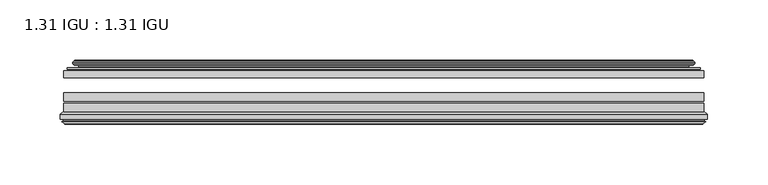
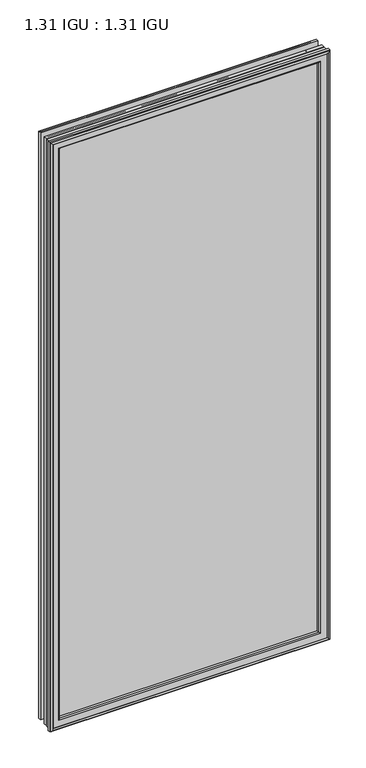
"""IFC4 building model written with IfcOpenShell, lengths in millimetres: plate geometry, 1.31 IGU : 1.31 IGU."""

from ifc_helpers import new_model, si_unit, frame, origin, place, context, project, spatial, polyline, ellipse_curve, outline, extrude, source, transform, mapped, element, save
from ifc_brep_helpers import plane_surface, cylinder_surface, revolved_surface, advanced_brep


def plate_1_31_igu_1_31_igu_cc7651a5(model_context):
    return source(origin(), model_context, "Body", "SolidModel", [
        extrude(outline(polyline([(265.1078362, -44.8960875), (265.1078362, -50.4332875), (-265.1127713, -50.4332875), (-265.1127713, -44.8960875), (265.1078362, -44.8960875)])), frame((0.0, 0.0, -14.2875), z_axis=(0.0, 0.0, 1.0), x_axis=(1.0, 0.0, 0.0)), (0.0, 0.0, 1.0), 1184.275),
        extrude(outline(polyline([(-265.1127713, -78.7796875), (-265.1127713, -71.7692875), (265.1078362, -71.7692875), (265.1078362, -78.7796875), (-265.1127713, -78.7796875)])), frame((0.0, 0.0, -14.2875), z_axis=(0.0, 0.0, 1.0), x_axis=(1.0, 0.0, 0.0)), (0.0, 0.0, 1.0), 1184.275),
        extrude(outline(polyline([(-265.1127713, -70.2452875), (-265.1127713, -63.1332875), (265.1078362, -63.1332875), (265.1078362, -70.2452875), (-265.1127713, -70.2452875)])), frame((0.0, 0.0, -14.2875), z_axis=(0.0, 0.0, 1.0), x_axis=(1.0, 0.0, 0.0)), (0.0, 0.0, 1.0), 1184.275),
        advanced_brep(
        [(-255.7674468, -37.7373382, 1160.6421755), (-250.8258138, -36.3108875, 1155.7005426), (-250.8258138, -36.3108875, -0.0005426), (-255.7674468, -37.7373382, -4.9421755), (-255.6023415, -36.9605789, 1160.4770702), (-255.6023415, -36.9605789, -4.7770702), (-256.1978272, -36.4771203, 1161.0725559), (-256.1978272, -36.4771203, -5.3725559), (-257.462463, -37.766076, 1162.3371917), (-257.462463, -37.766076, -6.6371917), (-257.4516462, -38.8797852, 1162.3263749), (-257.4516462, -38.8797852, -6.6263749), (-256.170161, -40.1361433, 1161.0448897), (-256.170161, -40.1361433, -5.3448897), (-255.5651542, -39.649943, 1160.4398829), (-255.5651542, -39.649943, -4.7398829), (-256.1191684, -39.0959287, 1160.9938972), (-256.1191684, -39.0959287, -5.2938972), (-253.83336, -38.7029881, 1158.7080887), (-253.83336, -38.7029881, -3.0080887), (-252.3742869, -40.2107282, 1157.2490157), (-252.3742869, -40.2107282, -1.5490157), (-252.6708689, -41.651269, 1157.5455976), (-252.6708689, -41.651269, -1.8455976), (-253.4420933, -42.2798875, 1158.3168221), (-253.4420933, -42.2798875, -2.6168221), (-261.7460697, -43.4871542, 1166.6207984), (-261.4708682, -42.2798875, 1166.3455969), (-261.4708682, -42.2798875, -10.6455969), (-261.7460697, -43.4871542, -10.9207984), (-258.288501, -44.8960875, 1163.1632297), (-258.288501, -44.8960875, -7.4632297), (-247.1908772, -44.023302, 1152.0656059), (-247.5462152, -44.8960875, 1152.4209439), (-247.5462152, -44.8960875, 3.2790561), (-247.1908772, -44.023302, 3.6343941), (-247.8620752, -43.3681812, 1152.736804), (-247.8620752, -43.3681812, 2.963196), (-249.5028658, -40.6686056, 1154.3775946), (-249.5028658, -40.6686056, 1.3224054), (250.8258138, -36.3108875, -0.0005426), (255.7674468, -37.7373382, -4.9421755), (255.6023415, -36.9605789, -4.7770702), (256.1978272, -36.4771203, -5.3725559), (257.462463, -37.766076, -6.6371917), (257.4516462, -38.8797852, -6.6263749), (256.170161, -40.1361433, -5.3448897), (255.5651542, -39.649943, -4.7398829), (256.1191684, -39.0959287, -5.2938972), (253.83336, -38.7029881, -3.0080887), (252.3742869, -40.2107282, -1.5490157), (252.6708689, -41.651269, -1.8455976), (253.4420933, -42.2798875, -2.6168221), (261.4708682, -42.2798875, -10.6455969), (261.7460697, -43.4871542, -10.9207984), (258.288501, -44.8960875, -7.4632297), (247.5462152, -44.8960875, 3.2790561), (247.1908772, -44.023302, 3.6343941), (247.8620752, -43.3681812, 2.963196), (249.5028658, -40.6686056, 1.3224054), (250.8258138, -36.3108875, 1155.7005426), (255.7674468, -37.7373382, 1160.6421755), (255.6023415, -36.9605789, 1160.4770702), (256.1978272, -36.4771203, 1161.0725559), (257.462463, -37.766076, 1162.3371917), (257.4516462, -38.8797852, 1162.3263749), (256.170161, -40.1361433, 1161.0448897), (255.5651542, -39.649943, 1160.4398829), (256.1191684, -39.0959287, 1160.9938972), (253.83336, -38.7029881, 1158.7080887), (252.3742869, -40.2107282, 1157.2490157), (252.6708689, -41.651269, 1157.5455976), (253.4420933, -42.2798875, 1158.3168221), (261.4708682, -42.2798875, 1166.3455969), (261.7460697, -43.4871542, 1166.6207984), (258.288501, -44.8960875, 1163.1632297), (247.5462152, -44.8960875, 1152.4209439), (247.1908772, -44.023302, 1152.0656059), (247.8620752, -43.3681812, 1152.736804), (249.5028658, -40.6686056, 1154.3775946)],
        [
            (0, 1),
            (1, 2),
            (2, 3),
            (3, 0),
            (4, 0),
            (3, 5),
            (5, 4),
            (6, 4, ellipse_curve(frame((-255.9228584, -36.746901, 1160.7975871), z_axis=(-0.7071067811865475, 0.0, -0.7071067811865475), x_axis=(-0.7071067811865474, 0.0, 0.7071067811865476)), 0.5447741, 0.3852135)),
            (5, 7, ellipse_curve(frame((-255.9228584, -36.746901, -5.0975871), z_axis=(-0.7071067811865475, 0.0, 0.7071067811865475), x_axis=(0.7071067811865474, 0.0, 0.7071067811865476)), 0.5447741, 0.3852135)),
            (7, 6),
            (8, 6),
            (7, 9),
            (9, 8),
            (10, 8, ellipse_curve(frame((-256.9004099, -38.3175243, 1161.7751387), z_axis=(-0.7071067811865475, 0.0, -0.7071067811865475), x_axis=(-0.7071067811865474, 0.0, 0.7071067811865476)), 1.1135518, 0.7874)),
            (9, 11, ellipse_curve(frame((-256.9004099, -38.3175243, -6.0751387), z_axis=(-0.7071067811865475, 0.0, 0.7071067811865475), x_axis=(0.7071067811865474, 0.0, 0.7071067811865476)), 1.1135518, 0.7874)),
            (11, 10),
            (12, 10),
            (11, 13),
            (13, 12),
            (14, 12, ellipse_curve(frame((-255.8965635, -39.8570738, 1160.7712922), z_axis=(-0.7071067811865475, 0.0, -0.7071067811865475), x_axis=(-0.7071067811865474, 0.0, 0.7071067811865476)), 0.552694, 0.3908137)),
            (13, 15, ellipse_curve(frame((-255.8965635, -39.8570738, -5.0712922), z_axis=(-0.7071067811865475, 0.0, 0.7071067811865475), x_axis=(0.7071067811865474, 0.0, 0.7071067811865476)), 0.552694, 0.3908137)),
            (15, 14),
            (16, 14),
            (15, 17),
            (17, 16),
            (18, 16),
            (17, 19),
            (19, 18),
            (20, 18, ellipse_curve(frame((-253.6181974, -39.954629, 1158.4929261), z_axis=(0.7071067811865475, 0.0, 0.7071067811865475), x_axis=(0.7071067811865474, 0.0, -0.7071067811865476)), 1.7960512, 1.27)),
            (19, 21, ellipse_curve(frame((-253.6181974, -39.954629, -2.7929261), z_axis=(0.7071067811865475, 0.0, -0.7071067811865475), x_axis=(-0.7071067811865474, 0.0, -0.7071067811865476)), 1.7960512, 1.27)),
            (21, 20),
            (22, 20),
            (21, 23),
            (23, 22),
            (24, 22, ellipse_curve(frame((-253.4420933, -41.4924875, 1158.3168221), z_axis=(0.7071067811865475, 0.0, 0.7071067811865475), x_axis=(0.7071067811865474, 0.0, -0.7071067811865476)), 1.1135518, 0.7874)),
            (23, 25, ellipse_curve(frame((-253.4420933, -41.4924875, -2.6168221), z_axis=(0.7071067811865475, 0.0, -0.7071067811865475), x_axis=(-0.7071067811865474, 0.0, -0.7071067811865476)), 1.1135518, 0.7874)),
            (25, 24),
            (26, 27, ellipse_curve(frame((-261.4708682, -42.9148875, 1166.3455969), z_axis=(-0.7071067811865475, 0.0, -0.7071067811865475), x_axis=(-0.7071067811865474, 0.0, 0.7071067811865476)), 0.8980256, 0.635)),
            (27, 28),
            (28, 29, ellipse_curve(frame((-261.4708682, -42.9148875, -10.6455969), z_axis=(-0.7071067811865475, 0.0, 0.7071067811865475), x_axis=(0.7071067811865474, 0.0, 0.7071067811865476)), 0.8980256, 0.635)),
            (29, 26),
            (30, 26),
            (29, 31),
            (31, 30),
            (32, 33, ellipse_curve(frame((-247.5462152, -44.3873602, 1152.4209439), z_axis=(-0.7071067811865475, 0.0, -0.7071067811865475), x_axis=(-0.7071067811865474, 0.0, 0.7071067811865476)), 0.719449, 0.5087273)),
            (33, 34),
            (34, 35, ellipse_curve(frame((-247.5462152, -44.3873602, 3.2790561), z_axis=(-0.7071067811865475, 0.0, 0.7071067811865475), x_axis=(0.7071067811865474, 0.0, 0.7071067811865476)), 0.719449, 0.5087273)),
            (35, 32),
            (36, 32),
            (35, 37),
            (37, 36),
            (38, 36, ellipse_curve(frame((-243.426701, -38.823959, 1148.3014298), z_axis=(0.7071067811865475, 0.0, 0.7071067811865475), x_axis=(0.7071067811865474, 0.0, -0.7071067811865476)), 8.9802561, 6.35)),
            (37, 39, ellipse_curve(frame((-243.426701, -38.823959, 7.3985702), z_axis=(0.7071067811865475, 0.0, -0.7071067811865475), x_axis=(-0.7071067811865474, 0.0, -0.7071067811865476)), 8.9802561, 6.35)),
            (39, 38),
            (1, 38),
            (39, 2),
            (2, 40),
            (40, 41),
            (41, 3),
            (41, 42),
            (42, 5),
            (42, 43, ellipse_curve(frame((255.9228584, -36.746901, -5.0975871), z_axis=(-0.7071067811865475, 0.0, -0.7071067811865475), x_axis=(-0.7071067811865476, 0.0, 0.7071067811865474)), 0.5447741, 0.3852135)),
            (43, 7),
            (43, 44),
            (44, 9),
            (44, 45, ellipse_curve(frame((256.9004099, -38.3175243, -6.0751387), z_axis=(-0.7071067811865475, 0.0, -0.7071067811865475), x_axis=(-0.7071067811865476, 0.0, 0.7071067811865474)), 1.1135518, 0.7874)),
            (45, 11),
            (45, 46),
            (46, 13),
            (46, 47, ellipse_curve(frame((255.8965635, -39.8570738, -5.0712922), z_axis=(-0.7071067811865475, 0.0, -0.7071067811865475), x_axis=(-0.7071067811865476, 0.0, 0.7071067811865474)), 0.552694, 0.3908137)),
            (47, 15),
            (47, 48),
            (48, 17),
            (48, 49),
            (49, 19),
            (49, 50, ellipse_curve(frame((253.6181974, -39.954629, -2.7929261), z_axis=(0.7071067811865475, 0.0, 0.7071067811865475), x_axis=(0.7071067811865476, 0.0, -0.7071067811865474)), 1.7960512, 1.27)),
            (50, 21),
            (50, 51),
            (51, 23),
            (51, 52, ellipse_curve(frame((253.4420933, -41.4924875, -2.6168221), z_axis=(0.7071067811865475, 0.0, 0.7071067811865475), x_axis=(0.7071067811865476, 0.0, -0.7071067811865474)), 1.1135518, 0.7874)),
            (52, 25),
            (28, 53),
            (53, 54, ellipse_curve(frame((261.4708682, -42.9148875, -10.6455969), z_axis=(-0.7071067811865475, 0.0, -0.7071067811865475), x_axis=(-0.7071067811865476, 0.0, 0.7071067811865474)), 0.8980256, 0.635)),
            (54, 29),
            (54, 55),
            (55, 31),
            (34, 56),
            (56, 57, ellipse_curve(frame((247.5462152, -44.3873602, 3.2790561), z_axis=(-0.7071067811865475, 0.0, -0.7071067811865475), x_axis=(-0.7071067811865476, 0.0, 0.7071067811865474)), 0.719449, 0.5087273)),
            (57, 35),
            (57, 58),
            (58, 37),
            (58, 59, ellipse_curve(frame((243.426701, -38.823959, 7.3985702), z_axis=(0.7071067811865475, 0.0, 0.7071067811865475), x_axis=(0.7071067811865476, 0.0, -0.7071067811865474)), 8.9802561, 6.35)),
            (59, 39),
            (59, 40),
            (40, 60),
            (60, 61),
            (61, 41),
            (61, 62),
            (62, 42),
            (62, 63, ellipse_curve(frame((255.9228584, -36.746901, 1160.7975871), z_axis=(0.7071067811865475, 0.0, -0.7071067811865475), x_axis=(-0.7071067811865474, 0.0, -0.7071067811865476)), 0.5447741, 0.3852135)),
            (63, 43),
            (63, 64),
            (64, 44),
            (64, 65, ellipse_curve(frame((256.9004099, -38.3175243, 1161.7751387), z_axis=(0.7071067811865475, 0.0, -0.7071067811865475), x_axis=(-0.7071067811865474, 0.0, -0.7071067811865476)), 1.1135518, 0.7874)),
            (65, 45),
            (65, 66),
            (66, 46),
            (66, 67, ellipse_curve(frame((255.8965635, -39.8570738, 1160.7712922), z_axis=(0.7071067811865475, 0.0, -0.7071067811865475), x_axis=(-0.7071067811865474, 0.0, -0.7071067811865476)), 0.552694, 0.3908137)),
            (67, 47),
            (67, 68),
            (68, 48),
            (68, 69),
            (69, 49),
            (69, 70, ellipse_curve(frame((253.6181974, -39.954629, 1158.4929261), z_axis=(-0.7071067811865475, 0.0, 0.7071067811865475), x_axis=(0.7071067811865474, 0.0, 0.7071067811865476)), 1.7960512, 1.27)),
            (70, 50),
            (70, 71),
            (71, 51),
            (71, 72, ellipse_curve(frame((253.4420933, -41.4924875, 1158.3168221), z_axis=(-0.7071067811865475, 0.0, 0.7071067811865475), x_axis=(0.7071067811865474, 0.0, 0.7071067811865476)), 1.1135518, 0.7874)),
            (72, 52),
            (53, 73),
            (73, 74, ellipse_curve(frame((261.4708682, -42.9148875, 1166.3455969), z_axis=(0.7071067811865475, 0.0, -0.7071067811865475), x_axis=(-0.7071067811865474, 0.0, -0.7071067811865476)), 0.8980256, 0.635)),
            (74, 54),
            (74, 75),
            (75, 55),
            (56, 76),
            (76, 77, ellipse_curve(frame((247.5462152, -44.3873602, 1152.4209439), z_axis=(0.7071067811865475, 0.0, -0.7071067811865475), x_axis=(-0.7071067811865474, 0.0, -0.7071067811865476)), 0.719449, 0.5087273)),
            (77, 57),
            (77, 78),
            (78, 58),
            (78, 79, ellipse_curve(frame((243.426701, -38.823959, 1148.3014298), z_axis=(-0.7071067811865475, 0.0, 0.7071067811865475), x_axis=(0.7071067811865474, 0.0, 0.7071067811865476)), 8.9802561, 6.35)),
            (79, 59),
            (79, 60),
            (60, 1),
            (0, 61),
            (4, 62),
            (6, 63),
            (8, 64),
            (10, 65),
            (12, 66),
            (14, 67),
            (16, 68),
            (18, 69),
            (20, 70),
            (22, 71),
            (24, 72),
            (27, 73),
            (26, 74),
            (30, 75),
            (33, 76),
            (32, 77),
            (36, 78),
            (38, 79),
        ],
        [
            plane_surface(frame((-250.8258138, -36.3108875, 1155.7005426), z_axis=(-0.2773364928492854, 0.9607728502273877, 0.0), x_axis=(0.0, 0.0, -1.0))),
            plane_surface(frame((-255.7674468, -37.7373382, 1160.6421755), z_axis=(0.9781476007338358, -0.2079116908176177, 0.0), x_axis=(0.0, 0.0, -1.0))),
            cylinder_surface(frame((-255.9228584, -36.746901, 1187.45), z_axis=(0.0, 0.0, 1.0), x_axis=(-1.0, 0.0, 0.0)), 0.3852135),
            plane_surface(frame((-256.1978272, -36.4771203, 1161.0725559), z_axis=(-0.7138087599382162, 0.7003406701280928, 0.0), x_axis=(0.0, 0.0, -1.0))),
            cylinder_surface(frame((-256.9004099, -38.3175243, 1187.45), z_axis=(0.0, 0.0, 1.0), x_axis=(-1.0, 0.0, 0.0)), 0.7874),
            plane_surface(frame((-257.4516462, -38.8797852, 1162.3263749), z_axis=(-0.7000714109283732, -0.7140728391423082, 0.0), x_axis=(0.0, 0.0, -1.0))),
            cylinder_surface(frame((-255.8965635, -39.8570738, 1187.45), z_axis=(0.0, 0.0, 1.0), x_axis=(-1.0, 0.0, 0.0)), 0.3908137),
            plane_surface(frame((-255.5651542, -39.649943, 1160.4398829), z_axis=(0.7071067811861126, 0.7071067811869826, 0.0), x_axis=(0.0, 0.0, -1.0))),
            plane_surface(frame((-256.1191684, -39.0959287, 1160.9938972), z_axis=(0.16941940671011482, -0.9855440449974789, 0.0), x_axis=(0.0, 0.0, -1.0))),
            revolved_surface(polyline([(-254.88819740000002, -39.954629, -4.062926082878221), (-254.88819740000002, -39.954629, 1159.7629260828783)]), (-253.6181974, -39.954629, 1187.45), (0.0, 0.0, -1.0)),
            plane_surface(frame((-252.3742869, -40.2107282, 1157.2490157), z_axis=(-0.9794570432566897, 0.201652920670302, 0.0), x_axis=(0.0, 0.0, -1.0))),
            revolved_surface(polyline([(-254.2294933, -41.4924875, -3.4042221289826102), (-254.2294933, -41.4924875, 1159.1042221289827)]), (-253.4420933, -41.4924875, 1187.45), (0.0, 0.0, -1.0)),
            cylinder_surface(frame((-261.4708682, -42.9148875, 1187.45), z_axis=(0.0, 0.0, 1.0), x_axis=(-1.0, 0.0, 0.0)), 0.635),
            plane_surface(frame((-261.7460697, -43.4871542, 1166.6207984), z_axis=(-0.37736447542757934, -0.9260648209954139, 0.0), x_axis=(0.0, 0.0, -1.0))),
            cylinder_surface(frame((-247.5462152, -44.3873602, 1187.45), z_axis=(0.0, 0.0, 1.0), x_axis=(-1.0, 0.0, 0.0)), 0.5087273),
            plane_surface(frame((-247.1908772, -44.023302, 1152.0656059), z_axis=(0.698484125849927, 0.7156255486884628, 0.0), x_axis=(0.0, 0.0, -1.0))),
            revolved_surface(polyline([(-249.776701, -38.823959, 1.0485702148980636), (-249.776701, -38.823959, 1154.651429785102)]), (-243.426701, -38.823959, 1187.45), (0.0, 0.0, -1.0)),
            plane_surface(frame((-249.5028658, -40.6686056, 1154.3775946), z_axis=(0.9568763473517009, 0.2904955350411895, 0.0), x_axis=(0.0, 0.0, -1.0))),
            plane_surface(frame((-250.8258138, -36.3108875, -0.0005426), z_axis=(0.0, 0.9607728502273868, -0.2773364928492885), x_axis=(1.0, 0.0, 0.0))),
            plane_surface(frame((-255.7674468, -37.7373382, -4.9421755), z_axis=(0.0, -0.20791169081761454, 0.9781476007338364), x_axis=(1.0, 0.0, 0.0))),
            cylinder_surface(frame((-282.5752713, -36.746901, -5.0975871), z_axis=(-1.0, 0.0, 0.0), x_axis=(0.0, 0.0, -1.0)), 0.3852135),
            plane_surface(frame((-256.1978272, -36.4771203, -5.3725559), z_axis=(0.0, 0.7003406701280904, -0.7138087599382185), x_axis=(1.0, 0.0, 0.0))),
            cylinder_surface(frame((-282.5752713, -38.3175243, -6.0751387), z_axis=(-1.0, 0.0, 0.0), x_axis=(0.0, 0.0, -1.0)), 0.7874),
            plane_surface(frame((-257.4516462, -38.8797852, -6.6263749), z_axis=(0.0, -0.7140728391423105, -0.7000714109283709), x_axis=(1.0, 0.0, 0.0))),
            cylinder_surface(frame((-282.5752713, -39.8570738, -5.0712922), z_axis=(-1.0, 0.0, 0.0), x_axis=(0.0, 0.0, -1.0)), 0.3908137),
            plane_surface(frame((-255.5651542, -39.649943, -4.7398829), z_axis=(0.0, 0.7071067811869849, 0.7071067811861103), x_axis=(1.0, 0.0, 0.0))),
            plane_surface(frame((-256.1191684, -39.0959287, -5.2938972), z_axis=(0.0, -0.9855440449974784, 0.16941940671011801), x_axis=(1.0, 0.0, 0.0))),
            revolved_surface(polyline([(254.88819738287833, -39.954629, -4.0629261), (-254.88819738287825, -39.954629, -4.0629261)]), (-282.5752713, -39.954629, -2.7929261), (1.0, 0.0, 0.0)),
            plane_surface(frame((-252.3742869, -40.2107282, -1.5490157), z_axis=(0.0, 0.20165292067029883, -0.9794570432566904), x_axis=(1.0, 0.0, 0.0))),
            revolved_surface(polyline([(254.22949332898253, -41.4924875, -3.4042220999999997), (-254.2294933289825, -41.4924875, -3.4042220999999997)]), (-282.5752713, -41.4924875, -2.6168221), (1.0, 0.0, 0.0)),
            cylinder_surface(frame((-282.5752713, -42.9148875, -10.6455969), z_axis=(-1.0, 0.0, 0.0), x_axis=(0.0, 0.0, -1.0)), 0.635),
            plane_surface(frame((-261.7460697, -43.4871542, -10.9207984), z_axis=(0.0, -0.9260648209954151, -0.37736447542757634), x_axis=(1.0, 0.0, 0.0))),
            cylinder_surface(frame((-282.5752713, -44.3873602, 3.2790561), z_axis=(-1.0, 0.0, 0.0), x_axis=(0.0, 0.0, -1.0)), 0.5087273),
            plane_surface(frame((-247.1908772, -44.023302, 3.6343941), z_axis=(0.0, 0.7156255486884651, 0.6984841258499247), x_axis=(1.0, 0.0, 0.0))),
            revolved_surface(polyline([(249.77670098510185, -38.823959, 1.0485702000000003), (-249.77670098510185, -38.823959, 1.0485702000000003)]), (-282.5752713, -38.823959, 7.3985702), (1.0, 0.0, 0.0)),
            plane_surface(frame((-249.5028658, -40.6686056, 1.3224054), z_axis=(0.0, 0.29049553504119263, 0.9568763473517), x_axis=(1.0, 0.0, 0.0))),
            plane_surface(frame((250.8258138, -36.3108875, -0.0005426), z_axis=(0.2773364928492916, 0.9607728502273859, 0.0), x_axis=(0.0, 0.0, 1.0))),
            plane_surface(frame((255.7674468, -37.7373382, -4.9421755), z_axis=(-0.9781476007338371, -0.20791169081761138, 0.0), x_axis=(0.0, 0.0, 1.0))),
            cylinder_surface(frame((255.9228584, -36.746901, -31.75), z_axis=(0.0, 0.0, -1.0), x_axis=(1.0, 0.0, 0.0)), 0.3852135),
            plane_surface(frame((256.1978272, -36.4771203, -5.3725559), z_axis=(0.7138087599382208, 0.7003406701280882, 0.0), x_axis=(0.0, 0.0, 1.0))),
            cylinder_surface(frame((256.9004099, -38.3175243, -31.75), z_axis=(0.0, 0.0, -1.0), x_axis=(1.0, 0.0, 0.0)), 0.7874),
            plane_surface(frame((257.4516462, -38.8797852, -6.6263749), z_axis=(0.7000714109283687, -0.7140728391423128, 0.0), x_axis=(0.0, 0.0, 1.0))),
            cylinder_surface(frame((255.8965635, -39.8570738, -31.75), z_axis=(0.0, 0.0, -1.0), x_axis=(1.0, 0.0, 0.0)), 0.3908137),
            plane_surface(frame((255.5651542, -39.649943, -4.7398829), z_axis=(-0.7071067811861079, 0.7071067811869872, 0.0), x_axis=(0.0, 0.0, 1.0))),
            plane_surface(frame((256.1191684, -39.0959287, -5.2938972), z_axis=(-0.1694194067101212, -0.9855440449974778, 0.0), x_axis=(0.0, 0.0, 1.0))),
            revolved_surface(polyline([(254.88819740000002, -39.954629, 1159.7629260828783), (254.88819740000002, -39.954629, -4.062926082878235)]), (253.6181974, -39.954629, -31.75), (0.0, 0.0, 1.0)),
            plane_surface(frame((252.3742869, -40.2107282, -1.5490157), z_axis=(0.979457043256691, 0.20165292067029567, 0.0), x_axis=(0.0, 0.0, 1.0))),
            revolved_surface(polyline([(254.2294933, -41.4924875, 1159.1042221289827), (254.2294933, -41.4924875, -3.404222128982486)]), (253.4420933, -41.4924875, -31.75), (0.0, 0.0, 1.0)),
            cylinder_surface(frame((261.4708682, -42.9148875, -31.75), z_axis=(0.0, 0.0, -1.0), x_axis=(1.0, 0.0, 0.0)), 0.635),
            plane_surface(frame((261.7460697, -43.4871542, -10.9207984), z_axis=(0.37736447542757334, -0.9260648209954163, 0.0), x_axis=(0.0, 0.0, 1.0))),
            cylinder_surface(frame((247.5462152, -44.3873602, -31.75), z_axis=(0.0, 0.0, -1.0), x_axis=(1.0, 0.0, 0.0)), 0.5087273),
            plane_surface(frame((247.1908772, -44.023302, 3.6343941), z_axis=(-0.6984841258499224, 0.7156255486884673, 0.0), x_axis=(0.0, 0.0, 1.0))),
            revolved_surface(polyline([(249.776701, -38.823959, 1154.651429785102), (249.776701, -38.823959, 1.0485702148981417)]), (243.426701, -38.823959, -31.75), (0.0, 0.0, 1.0)),
            plane_surface(frame((249.5028658, -40.6686056, 1.3224054), z_axis=(-0.9568763473516991, 0.29049553504119574, 0.0), x_axis=(0.0, 0.0, 1.0))),
            plane_surface(frame((250.8258138, -36.3108875, 1155.7005426), z_axis=(0.0, 0.9607728502273868, 0.2773364928492885), x_axis=(-1.0, 0.0, 0.0))),
            plane_surface(frame((255.7674468, -37.7373382, 1160.6421755), z_axis=(0.0, -0.20791169081761454, -0.9781476007338364), x_axis=(-1.0, 0.0, 0.0))),
            cylinder_surface(frame((282.5752713, -36.746901, 1160.7975871), z_axis=(1.0, 0.0, 0.0), x_axis=(0.0, 0.0, 1.0)), 0.3852135),
            plane_surface(frame((256.1978272, -36.4771203, 1161.0725559), z_axis=(0.0, 0.7003406701280904, 0.7138087599382185), x_axis=(-1.0, 0.0, 0.0))),
            cylinder_surface(frame((282.5752713, -38.3175243, 1161.7751387), z_axis=(1.0, 0.0, 0.0), x_axis=(0.0, 0.0, 1.0)), 0.7874),
            plane_surface(frame((257.4516462, -38.8797852, 1162.3263749), z_axis=(0.0, -0.7140728391423106, 0.700071410928371), x_axis=(-1.0, 0.0, 0.0))),
            cylinder_surface(frame((282.5752713, -39.8570738, 1160.7712922), z_axis=(1.0, 0.0, 0.0), x_axis=(0.0, 0.0, 1.0)), 0.3908137),
            plane_surface(frame((255.5651542, -39.649943, 1160.4398829), z_axis=(0.0, 0.7071067811869849, -0.7071067811861103), x_axis=(-1.0, 0.0, 0.0))),
            plane_surface(frame((256.1191684, -39.0959287, 1160.9938972), z_axis=(0.0, -0.9855440449974784, -0.16941940671011801), x_axis=(-1.0, 0.0, 0.0))),
            revolved_surface(polyline([(-254.88819738287833, -39.954629, 1159.7629261), (254.88819738287825, -39.954629, 1159.7629261)]), (282.5752713, -39.954629, 1158.4929261), (-1.0, 0.0, 0.0)),
            plane_surface(frame((252.3742869, -40.2107282, 1157.2490157), z_axis=(0.0, 0.20165292067029883, 0.9794570432566904), x_axis=(-1.0, 0.0, 0.0))),
            revolved_surface(polyline([(-254.22949332898253, -41.4924875, 1159.1042221), (254.2294933289825, -41.4924875, 1159.1042221)]), (282.5752713, -41.4924875, 1158.3168221), (-1.0, 0.0, 0.0)),
            plane_surface(frame((253.4420933, -42.2798875, 1158.3168221), z_axis=(0.0, 1.0, 0.0), x_axis=(-1.0, 0.0, 0.0))),
            cylinder_surface(frame((282.5752713, -42.9148875, 1166.3455969), z_axis=(1.0, 0.0, 0.0), x_axis=(0.0, 0.0, 1.0)), 0.635),
            plane_surface(frame((261.7460697, -43.4871542, 1166.6207984), z_axis=(0.0, -0.9260648209954151, 0.37736447542757634), x_axis=(-1.0, 0.0, 0.0))),
            plane_surface(frame((258.288501, -44.8960875, 1163.1632297), z_axis=(0.0, -1.0, 0.0), x_axis=(-1.0, 0.0, 0.0))),
            cylinder_surface(frame((282.5752713, -44.3873602, 1152.4209439), z_axis=(1.0, 0.0, 0.0), x_axis=(0.0, 0.0, 1.0)), 0.5087273),
            plane_surface(frame((247.1908772, -44.023302, 1152.0656059), z_axis=(0.0, 0.7156255486884651, -0.6984841258499247), x_axis=(-1.0, 0.0, 0.0))),
            revolved_surface(polyline([(-249.77670098510185, -38.823959, 1154.6514298), (249.77670098510185, -38.823959, 1154.6514298)]), (282.5752713, -38.823959, 1148.3014298), (-1.0, 0.0, 0.0)),
            plane_surface(frame((249.5028658, -40.6686056, 1154.3775946), z_axis=(0.0, 0.29049553504119263, -0.9568763473517), x_axis=(-1.0, 0.0, 0.0))),
        ],
        [
            (0, [[1, 2, 3, 4]]),
            (1, [[5, -4, 6, 7]]),
            (2, [[8, -7, 9, 10]]),
            (3, [[11, -10, 12, 13]]),
            (4, [[14, -13, 15, 16]]),
            (5, [[17, -16, 18, 19]]),
            (6, [[20, -19, 21, 22]]),
            (7, [[23, -22, 24, 25]]),
            (8, [[26, -25, 27, 28]]),
            (9, [[29, -28, 30, 31]]),
            (10, [[32, -31, 33, 34]]),
            (11, [[35, -34, 36, 37]]),
            (12, [[38, 39, 40, 41]]),
            (13, [[42, -41, 43, 44]]),
            (14, [[45, 46, 47, 48]]),
            (15, [[49, -48, 50, 51]]),
            (16, [[52, -51, 53, 54]]),
            (17, [[55, -54, 56, -2]]),
            (18, [[-3, 57, 58, 59]]),
            (19, [[-6, -59, 60, 61]]),
            (20, [[-9, -61, 62, 63]]),
            (21, [[-12, -63, 64, 65]]),
            (22, [[-15, -65, 66, 67]]),
            (23, [[-18, -67, 68, 69]]),
            (24, [[-21, -69, 70, 71]]),
            (25, [[-24, -71, 72, 73]]),
            (26, [[-27, -73, 74, 75]]),
            (27, [[-30, -75, 76, 77]]),
            (28, [[-33, -77, 78, 79]]),
            (29, [[-36, -79, 80, 81]]),
            (30, [[-40, 82, 83, 84]]),
            (31, [[-43, -84, 85, 86]]),
            (32, [[-47, 87, 88, 89]]),
            (33, [[-50, -89, 90, 91]]),
            (34, [[-53, -91, 92, 93]]),
            (35, [[-56, -93, 94, -57]]),
            (36, [[-58, 95, 96, 97]]),
            (37, [[-60, -97, 98, 99]]),
            (38, [[-62, -99, 100, 101]]),
            (39, [[-64, -101, 102, 103]]),
            (40, [[-66, -103, 104, 105]]),
            (41, [[-68, -105, 106, 107]]),
            (42, [[-70, -107, 108, 109]]),
            (43, [[-72, -109, 110, 111]]),
            (44, [[-74, -111, 112, 113]]),
            (45, [[-76, -113, 114, 115]]),
            (46, [[-78, -115, 116, 117]]),
            (47, [[-80, -117, 118, 119]]),
            (48, [[-83, 120, 121, 122]]),
            (49, [[-85, -122, 123, 124]]),
            (50, [[-88, 125, 126, 127]]),
            (51, [[-90, -127, 128, 129]]),
            (52, [[-92, -129, 130, 131]]),
            (53, [[-94, -131, 132, -95]]),
            (54, [[-96, 133, -1, 134]]),
            (55, [[-98, -134, -5, 135]]),
            (56, [[-100, -135, -8, 136]]),
            (57, [[-102, -136, -11, 137]]),
            (58, [[-104, -137, -14, 138]]),
            (59, [[-106, -138, -17, 139]]),
            (60, [[-108, -139, -20, 140]]),
            (61, [[-110, -140, -23, 141]]),
            (62, [[-112, -141, -26, 142]]),
            (63, [[-114, -142, -29, 143]]),
            (64, [[-116, -143, -32, 144]]),
            (65, [[-118, -144, -35, 145]]),
            (66, [[146, -120, -82, -39], [-81, -119, -145, -37]]),
            (67, [[-121, -146, -38, 147]]),
            (68, [[-123, -147, -42, 148]]),
            (69, [[-86, -124, -148, -44], [149, -125, -87, -46]]),
            (70, [[-126, -149, -45, 150]]),
            (71, [[-128, -150, -49, 151]]),
            (72, [[-130, -151, -52, 152]]),
            (73, [[-132, -152, -55, -133]]),
        ],
    ),
        advanced_brep(
        [(-248.1377207, -83.3389875, 1153.0124494), (-249.9127868, -85.1296875, 1154.7875155), (-249.9127868, -85.1296875, 0.9124845), (-248.1377207, -83.3389875, 2.6875506), (-247.1145114, -78.7796875, 1151.9892401), (-247.1145114, -78.7796875, 3.7107599), (-267.6952204, -80.9740477, 1172.5699491), (-265.5008601, -78.7796875, 1170.3755889), (-265.5008601, -78.7796875, -14.6755889), (-267.6952204, -80.9740477, -16.8699491), (-267.6952204, -85.1296875, 1172.5699491), (-267.6952204, -85.1296875, -16.8699491), (-265.1701602, -86.3747112, 1170.0448889), (-265.9213872, -85.1296875, 1170.7961159), (-265.9213872, -85.1296875, -15.0961159), (-265.1701602, -86.3747112, -14.3448889), (-264.8606311, -87.6502863, 1169.7353598), (-264.8606311, -87.6502863, -14.0353598), (-265.8787445, -87.2076396, 1170.7534732), (-265.8787445, -87.2076396, -15.0534732), (-264.1917551, -88.8840626, 1169.0664838), (-266.6734545, -87.2076396, 1171.5481832), (-266.6734545, -87.2076396, -15.8481832), (-264.1917551, -88.8840626, -13.3664838), (-262.0399297, -86.9401656, 1166.9146584), (-262.0399297, -86.9401656, -11.2146584), (-263.7472839, -87.5528811, 1168.6220126), (-262.8215027, -86.9401656, 1167.6962314), (-262.8215027, -86.9401656, -11.9962314), (-263.7472839, -87.5528811, -12.9220126), (-263.6639585, -86.2429356, 1168.5386873), (-263.6639585, -86.2429356, -12.8386873), (-263.0657205, -85.1296875, 1167.9404492), (-263.0657205, -85.1296875, -12.2404492), (249.9127868, -85.1296875, 0.9124845), (248.1377207, -83.3389875, 2.6875506), (247.1145114, -78.7796875, 3.7107599), (265.5008601, -78.7796875, -14.6755889), (267.6952204, -80.9740477, -16.8699491), (267.6952204, -85.1296875, -16.8699491), (265.9213872, -85.1296875, -15.0961159), (265.1701602, -86.3747112, -14.3448889), (264.8606311, -87.6502863, -14.0353598), (265.8787445, -87.2076396, -15.0534732), (266.6734545, -87.2076396, -15.8481832), (264.1917551, -88.8840626, -13.3664838), (262.0399297, -86.9401656, -11.2146584), (262.8215027, -86.9401656, -11.9962314), (263.7472839, -87.5528811, -12.9220126), (263.6639585, -86.2429356, -12.8386873), (263.0657205, -85.1296875, -12.2404492), (249.9127868, -85.1296875, 1154.7875155), (248.1377207, -83.3389875, 1153.0124494), (247.1145114, -78.7796875, 1151.9892401), (265.5008601, -78.7796875, 1170.3755889), (267.6952204, -80.9740477, 1172.5699491), (267.6952204, -85.1296875, 1172.5699491), (265.9213872, -85.1296875, 1170.7961159), (265.1701602, -86.3747112, 1170.0448889), (264.8606311, -87.6502863, 1169.7353598), (265.8787445, -87.2076396, 1170.7534732), (266.6734545, -87.2076396, 1171.5481832), (264.1917551, -88.8840626, 1169.0664838), (262.0399297, -86.9401656, 1166.9146584), (262.8215027, -86.9401656, 1167.6962314), (263.7472839, -87.5528811, 1168.6220126), (263.6639585, -86.2429356, 1168.5386873), (263.0657205, -85.1296875, 1167.9404492)],
        [
            (0, 1, ellipse_curve(frame((-250.1642218, -83.1053133, 1155.0389505), z_axis=(-0.7071067811865475, 0.0, -0.7071067811865475), x_axis=(-0.7071067811865474, 0.0, 0.7071067811865476)), 2.8848953, 2.039929)),
            (1, 2),
            (2, 3, ellipse_curve(frame((-250.1642218, -83.1053133, 0.6610495), z_axis=(-0.7071067811865475, 0.0, 0.7071067811865475), x_axis=(0.7071067811865474, 0.0, 0.7071067811865476)), 2.8848953, 2.039929)),
            (3, 0),
            (4, 0),
            (3, 5),
            (5, 4),
            (6, 7),
            (7, 8),
            (8, 9),
            (9, 6),
            (10, 6),
            (9, 11),
            (11, 10),
            (12, 13),
            (13, 14),
            (14, 15),
            (15, 12),
            (16, 12),
            (15, 17),
            (17, 16),
            (18, 16),
            (17, 19),
            (19, 18),
            (20, 21),
            (21, 22),
            (22, 23),
            (23, 20),
            (24, 20),
            (23, 25),
            (25, 24),
            (26, 27),
            (27, 28),
            (28, 29),
            (29, 26),
            (30, 26),
            (29, 31),
            (31, 30),
            (32, 30),
            (31, 33),
            (33, 32),
            (2, 34),
            (34, 35, ellipse_curve(frame((250.1642218, -83.1053133, 0.6610495), z_axis=(-0.7071067811865475, 0.0, -0.7071067811865475), x_axis=(-0.7071067811865476, 0.0, 0.7071067811865474)), 2.8848953, 2.039929)),
            (35, 3),
            (35, 36),
            (36, 5),
            (8, 37),
            (37, 38),
            (38, 9),
            (38, 39),
            (39, 11),
            (14, 40),
            (40, 41),
            (41, 15),
            (41, 42),
            (42, 17),
            (42, 43),
            (43, 19),
            (22, 44),
            (44, 45),
            (45, 23),
            (45, 46),
            (46, 25),
            (28, 47),
            (47, 48),
            (48, 29),
            (48, 49),
            (49, 31),
            (49, 50),
            (50, 33),
            (34, 51),
            (51, 52, ellipse_curve(frame((250.1642218, -83.1053133, 1155.0389505), z_axis=(0.7071067811865475, 0.0, -0.7071067811865475), x_axis=(-0.7071067811865474, 0.0, -0.7071067811865476)), 2.8848953, 2.039929)),
            (52, 35),
            (52, 53),
            (53, 36),
            (37, 54),
            (54, 55),
            (55, 38),
            (55, 56),
            (56, 39),
            (40, 57),
            (57, 58),
            (58, 41),
            (58, 59),
            (59, 42),
            (59, 60),
            (60, 43),
            (44, 61),
            (61, 62),
            (62, 45),
            (62, 63),
            (63, 46),
            (47, 64),
            (64, 65),
            (65, 48),
            (65, 66),
            (66, 49),
            (66, 67),
            (67, 50),
            (51, 1),
            (0, 52),
            (4, 53),
            (7, 54),
            (6, 55),
            (10, 56),
            (13, 57),
            (12, 58),
            (16, 59),
            (18, 60),
            (21, 61),
            (20, 62),
            (24, 63),
            (27, 64),
            (26, 65),
            (30, 66),
            (32, 67),
        ],
        [
            cylinder_surface(frame((-250.1642218, -83.1053133, 1187.45), z_axis=(0.0, 0.0, 1.0), x_axis=(-1.0, 0.0, 0.0)), 2.039929),
            plane_surface(frame((-248.1377207, -83.3389875, 1153.0124494), z_axis=(0.9757302952562701, -0.2189757770145185, 0.0), x_axis=(0.0, 0.0, -1.0))),
            plane_surface(frame((-265.5008601, -78.7796875, 1170.3755889), z_axis=(-0.7071067811871722, 0.7071067811859229, 0.0), x_axis=(0.0, 0.0, -1.0))),
            plane_surface(frame((-267.6952204, -80.9740477, 1172.5699491), z_axis=(-1.0, 0.0, 0.0), x_axis=(0.0, 0.0, -1.0))),
            plane_surface(frame((-265.9213872, -85.1296875, 1170.7961159), z_axis=(-0.8562121193263807, -0.516624434883434, 0.0), x_axis=(0.0, 0.0, -1.0))),
            plane_surface(frame((-265.1701602, -86.3747112, 1170.0448889), z_axis=(-0.9717979666139347, -0.23581499546259124, 0.0), x_axis=(0.0, 0.0, -1.0))),
            plane_surface(frame((-264.8606311, -87.6502863, 1169.7353598), z_axis=(0.3987175451776161, 0.9170737806564615, 0.0), x_axis=(0.0, 0.0, -1.0))),
            plane_surface(frame((-266.6734545, -87.2076396, 1171.5481832), z_axis=(-0.5597655002239059, -0.8286510633306884, 0.0), x_axis=(0.0, 0.0, -1.0))),
            plane_surface(frame((-264.1917551, -88.8840626, 1169.0664838), z_axis=(0.670345652676111, -0.7420489916024674, 0.0), x_axis=(0.0, 0.0, -1.0))),
            plane_surface(frame((-262.8215027, -86.9401656, 1167.6962314), z_axis=(-0.5519083205498945, 0.8339047941508642, 0.0), x_axis=(0.0, 0.0, -1.0))),
            plane_surface(frame((-263.7472839, -87.5528811, 1168.6220126), z_axis=(0.9979830161114805, -0.06348148984572213, 0.0), x_axis=(0.0, 0.0, -1.0))),
            plane_surface(frame((-263.6639585, -86.2429356, 1168.5386873), z_axis=(0.8808682216207324, -0.47336157019632297, 0.0), x_axis=(0.0, 0.0, -1.0))),
            cylinder_surface(frame((-282.5752713, -83.1053133, 0.6610495), z_axis=(-1.0, 0.0, 0.0), x_axis=(0.0, 0.0, -1.0)), 2.039929),
            plane_surface(frame((-248.1377207, -83.3389875, 2.6875506), z_axis=(0.0, -0.21897577701451534, 0.9757302952562708), x_axis=(1.0, 0.0, 0.0))),
            plane_surface(frame((-265.5008601, -78.7796875, -14.6755889), z_axis=(0.0, 0.7071067811859205, -0.7071067811871745), x_axis=(1.0, 0.0, 0.0))),
            plane_surface(frame((-267.6952204, -80.9740477, -16.8699491), z_axis=(0.0, 0.0, -1.0), x_axis=(1.0, 0.0, 0.0))),
            plane_surface(frame((-265.9213872, -85.1296875, -15.0961159), z_axis=(0.0, -0.5166244348834368, -0.8562121193263791), x_axis=(1.0, 0.0, 0.0))),
            plane_surface(frame((-265.1701602, -86.3747112, -14.3448889), z_axis=(0.0, -0.23581499546259438, -0.9717979666139339), x_axis=(1.0, 0.0, 0.0))),
            plane_surface(frame((-264.8606311, -87.6502863, -14.0353598), z_axis=(0.0, 0.9170737806564628, 0.39871754517761315), x_axis=(1.0, 0.0, 0.0))),
            plane_surface(frame((-266.6734545, -87.2076396, -15.8481832), z_axis=(0.0, -0.8286510633306902, -0.5597655002239033), x_axis=(1.0, 0.0, 0.0))),
            plane_surface(frame((-264.1917551, -88.8840626, -13.3664838), z_axis=(0.0, -0.7420489916024652, 0.6703456526761135), x_axis=(1.0, 0.0, 0.0))),
            plane_surface(frame((-262.8215027, -86.9401656, -11.9962314), z_axis=(0.0, 0.8339047941508624, -0.5519083205498971), x_axis=(1.0, 0.0, 0.0))),
            plane_surface(frame((-263.7472839, -87.5528811, -12.9220126), z_axis=(0.0, -0.0634814898457189, 0.9979830161114808), x_axis=(1.0, 0.0, 0.0))),
            plane_surface(frame((-263.6639585, -86.2429356, -12.8386873), z_axis=(0.0, -0.47336157019632014, 0.880868221620734), x_axis=(1.0, 0.0, 0.0))),
            cylinder_surface(frame((250.1642218, -83.1053133, -31.75), z_axis=(0.0, 0.0, -1.0), x_axis=(1.0, 0.0, 0.0)), 2.039929),
            plane_surface(frame((248.1377207, -83.3389875, 2.6875506), z_axis=(-0.9757302952562714, -0.21897577701451218, 0.0), x_axis=(0.0, 0.0, 1.0))),
            plane_surface(frame((265.5008601, -78.7796875, -14.6755889), z_axis=(0.7071067811871768, 0.7071067811859182, 0.0), x_axis=(0.0, 0.0, 1.0))),
            plane_surface(frame((267.6952204, -80.9740477, -16.8699491), z_axis=(1.0, 0.0, 0.0), x_axis=(0.0, 0.0, 1.0))),
            plane_surface(frame((265.9213872, -85.1296875, -15.0961159), z_axis=(0.8562121193263774, -0.5166244348834396, 0.0), x_axis=(0.0, 0.0, 1.0))),
            plane_surface(frame((265.1701602, -86.3747112, -14.3448889), z_axis=(0.9717979666139331, -0.23581499546259752, 0.0), x_axis=(0.0, 0.0, 1.0))),
            plane_surface(frame((264.8606311, -87.6502863, -14.0353598), z_axis=(-0.3987175451776102, 0.9170737806564642, 0.0), x_axis=(0.0, 0.0, 1.0))),
            plane_surface(frame((266.6734545, -87.2076396, -15.8481832), z_axis=(0.5597655002239006, -0.8286510633306919, 0.0), x_axis=(0.0, 0.0, 1.0))),
            plane_surface(frame((264.1917551, -88.8840626, -13.3664838), z_axis=(-0.6703456526761159, -0.742048991602463, 0.0), x_axis=(0.0, 0.0, 1.0))),
            plane_surface(frame((262.8215027, -86.9401656, -11.9962314), z_axis=(0.5519083205498998, 0.8339047941508606, 0.0), x_axis=(0.0, 0.0, 1.0))),
            plane_surface(frame((263.7472839, -87.5528811, -12.9220126), z_axis=(-0.997983016111481, -0.06348148984571567, 0.0), x_axis=(0.0, 0.0, 1.0))),
            plane_surface(frame((263.6639585, -86.2429356, -12.8386873), z_axis=(-0.8808682216207355, -0.4733615701963173, 0.0), x_axis=(0.0, 0.0, 1.0))),
            cylinder_surface(frame((282.5752713, -83.1053133, 1155.0389505), z_axis=(1.0, 0.0, 0.0), x_axis=(0.0, 0.0, 1.0)), 2.039929),
            plane_surface(frame((248.1377207, -83.3389875, 1153.0124494), z_axis=(0.0, -0.21897577701451534, -0.9757302952562708), x_axis=(-1.0, 0.0, 0.0))),
            plane_surface(frame((247.1145114, -78.7796875, 1151.9892401), z_axis=(0.0, 1.0, 0.0), x_axis=(-1.0, 0.0, 0.0))),
            plane_surface(frame((265.5008601, -78.7796875, 1170.3755889), z_axis=(0.0, 0.7071067811859205, 0.7071067811871745), x_axis=(-1.0, 0.0, 0.0))),
            plane_surface(frame((267.6952204, -80.9740477, 1172.5699491), z_axis=(0.0, 0.0, 1.0), x_axis=(-1.0, 0.0, 0.0))),
            plane_surface(frame((267.6952204, -85.1296875, 1172.5699491), z_axis=(0.0, -1.0, 0.0), x_axis=(-1.0, 0.0, 0.0))),
            plane_surface(frame((265.9213872, -85.1296875, 1170.7961159), z_axis=(0.0, -0.5166244348834368, 0.8562121193263791), x_axis=(-1.0, 0.0, 0.0))),
            plane_surface(frame((265.1701602, -86.3747112, 1170.0448889), z_axis=(0.0, -0.23581499546259438, 0.9717979666139339), x_axis=(-1.0, 0.0, 0.0))),
            plane_surface(frame((264.8606311, -87.6502863, 1169.7353598), z_axis=(0.0, 0.9170737806564628, -0.39871754517761315), x_axis=(-1.0, 0.0, 0.0))),
            plane_surface(frame((265.8787445, -87.2076396, 1170.7534732), z_axis=(0.0, 1.0, 0.0), x_axis=(-1.0, 0.0, 0.0))),
            plane_surface(frame((266.6734545, -87.2076396, 1171.5481832), z_axis=(0.0, -0.8286510633306902, 0.5597655002239033), x_axis=(-1.0, 0.0, 0.0))),
            plane_surface(frame((264.1917551, -88.8840626, 1169.0664838), z_axis=(0.0, -0.7420489916024652, -0.6703456526761135), x_axis=(-1.0, 0.0, 0.0))),
            plane_surface(frame((262.0399297, -86.9401656, 1166.9146584), z_axis=(0.0, 1.0, 0.0), x_axis=(-1.0, 0.0, 0.0))),
            plane_surface(frame((262.8215027, -86.9401656, 1167.6962314), z_axis=(0.0, 0.8339047941508624, 0.5519083205498971), x_axis=(-1.0, 0.0, 0.0))),
            plane_surface(frame((263.7472839, -87.5528811, 1168.6220126), z_axis=(0.0, -0.0634814898457189, -0.9979830161114808), x_axis=(-1.0, 0.0, 0.0))),
            plane_surface(frame((263.6639585, -86.2429356, 1168.5386873), z_axis=(0.0, -0.47336157019632014, -0.880868221620734), x_axis=(-1.0, 0.0, 0.0))),
            plane_surface(frame((263.0657205, -85.1296875, 1167.9404492), z_axis=(0.0, -1.0, 0.0), x_axis=(-1.0, 0.0, 0.0))),
        ],
        [
            (0, [[1, 2, 3, 4]]),
            (1, [[5, -4, 6, 7]]),
            (2, [[8, 9, 10, 11]]),
            (3, [[12, -11, 13, 14]]),
            (4, [[15, 16, 17, 18]]),
            (5, [[19, -18, 20, 21]]),
            (6, [[22, -21, 23, 24]]),
            (7, [[25, 26, 27, 28]]),
            (8, [[29, -28, 30, 31]]),
            (9, [[32, 33, 34, 35]]),
            (10, [[36, -35, 37, 38]]),
            (11, [[39, -38, 40, 41]]),
            (12, [[-3, 42, 43, 44]]),
            (13, [[-6, -44, 45, 46]]),
            (14, [[-10, 47, 48, 49]]),
            (15, [[-13, -49, 50, 51]]),
            (16, [[-17, 52, 53, 54]]),
            (17, [[-20, -54, 55, 56]]),
            (18, [[-23, -56, 57, 58]]),
            (19, [[-27, 59, 60, 61]]),
            (20, [[-30, -61, 62, 63]]),
            (21, [[-34, 64, 65, 66]]),
            (22, [[-37, -66, 67, 68]]),
            (23, [[-40, -68, 69, 70]]),
            (24, [[-43, 71, 72, 73]]),
            (25, [[-45, -73, 74, 75]]),
            (26, [[-48, 76, 77, 78]]),
            (27, [[-50, -78, 79, 80]]),
            (28, [[-53, 81, 82, 83]]),
            (29, [[-55, -83, 84, 85]]),
            (30, [[-57, -85, 86, 87]]),
            (31, [[-60, 88, 89, 90]]),
            (32, [[-62, -90, 91, 92]]),
            (33, [[-65, 93, 94, 95]]),
            (34, [[-67, -95, 96, 97]]),
            (35, [[-69, -97, 98, 99]]),
            (36, [[-72, 100, -1, 101]]),
            (37, [[-74, -101, -5, 102]]),
            (38, [[103, -76, -47, -9], [-46, -75, -102, -7]]),
            (39, [[-77, -103, -8, 104]]),
            (40, [[-79, -104, -12, 105]]),
            (41, [[-51, -80, -105, -14], [106, -81, -52, -16]]),
            (42, [[-82, -106, -15, 107]]),
            (43, [[-84, -107, -19, 108]]),
            (44, [[-86, -108, -22, 109]]),
            (45, [[110, -88, -59, -26], [-58, -87, -109, -24]]),
            (46, [[-89, -110, -25, 111]]),
            (47, [[-91, -111, -29, 112]]),
            (48, [[113, -93, -64, -33], [-63, -92, -112, -31]]),
            (49, [[-94, -113, -32, 114]]),
            (50, [[-96, -114, -36, 115]]),
            (51, [[-98, -115, -39, 116]]),
            (52, [[-70, -99, -116, -41], [-100, -71, -42, -2]]),
        ],
    ),
    ])


if __name__ == "__main__":
    model = new_model("IFC4")
    model_context = context("Model", 3, world=origin())
    ifc_project = project(units=[si_unit("LENGTHUNIT", "METRE", prefix="MILLI")], contexts=[model_context])
    site = spatial("IfcSite", under=ifc_project)
    building = spatial("IfcBuilding", under=site)
    placement = place(None, origin())
    plate_1_31_igu_1_31_igu_shape = plate_1_31_igu_1_31_igu_cc7651a5(model_context)
    element("IfcPlate", 1, ObjectType="1.31 IGU : 1.31 IGU", at=placement, inside=building, context=model_context, shape_type="MappedRepresentation", body=[
        mapped(plate_1_31_igu_1_31_igu_shape, transform((0.0, 0.0, 0.0), x_axis=(1.0, 0.0, 0.0), y_axis=(0.0, 1.0, 0.0), z_axis=(0.0, 0.0, 1.0))),
    ])
    save(model, "model.ifc")
